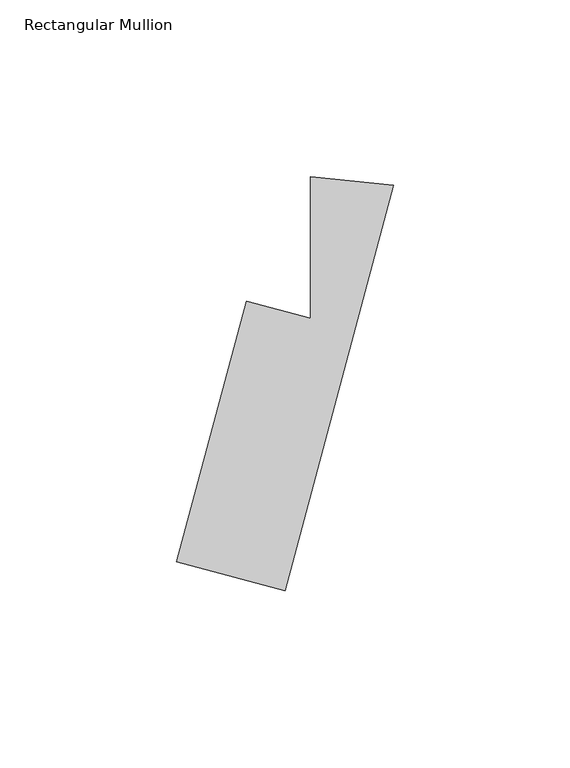
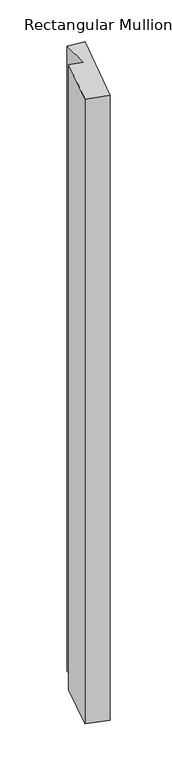
"""IFC4 building model written with IfcOpenShell, lengths in millimetres: member geometry, Rectangular Mullion."""

import ifcopenshell
import ifcopenshell.guid

model = None  # the IFC model being written
_history = None  # IfcOwnerHistory: only IFC2X3 demands one
_inside = {}  # id of a spatial element -> (the spatial element, [elements in it])
_under = {}  # id of a project, library or spatial element -> (it, [spatial elements below it])
_declared = {}  # id of a project -> (the project, [libraries it declares])
_typed = {}  # id of a type object -> (the type object, [elements of that type])
_made_of = {}  # id of a material, layer set ... -> (it, [elements and type objects made of it])


def new_model(schema):
    """Start an empty IFC model of exactly this schema.

    Asked for "IFC4X3", IfcOpenShell would pick the latest addendum, in which some entities
    have other attributes; the version numbers below select the first issue.
    IFC2X3 requires an IfcOwnerHistory on every rooted entity: one is made here for all.
    """
    global model, _history
    if schema == "IFC4X3":
        model = ifcopenshell.file(schema_version=(4, 3, 0, 0))
    else:
        model = ifcopenshell.file(schema=schema)
    _inside.clear()
    _under.clear()
    _declared.clear()
    _typed.clear()
    _made_of.clear()
    _history = None
    if model.schema == "IFC2X3":
        org = make("IfcOrganization", Name="unknown")
        user = make(
            "IfcPersonAndOrganization",
            ThePerson=make("IfcPerson", FamilyName="unknown"),
            TheOrganization=org,
        )
        app = make(
            "IfcApplication",
            ApplicationDeveloper=org,
            Version="unknown",
            ApplicationFullName="unknown",
            ApplicationIdentifier="unknown",
        )
        _history = make(
            "IfcOwnerHistory",
            OwningUser=user,
            OwningApplication=app,
            ChangeAction="ADDED",
            CreationDate=0,
        )
    return model


def make(cls, **values):
    """One entity of the class cls with the attributes given. An attribute that is None is left unset."""
    return model.create_entity(
        cls, **{name: value for name, value in values.items() if value is not None}
    )


def rooted(cls, **values):
    """An entity with a GlobalId (a new one), such as an element, a storey or a relation."""
    return make(cls, GlobalId=ifcopenshell.guid.new(), OwnerHistory=_history, **values)


def si_unit(unit_type, name, prefix=None):
    """IfcSIUnit, for example si_unit("LENGTHUNIT", "METRE", prefix="MILLI")."""
    return make("IfcSIUnit", UnitType=unit_type, Prefix=prefix, Name=name)


def assignment(units):
    """IfcUnitAssignment: the units of a project."""
    return None if units is None else make("IfcUnitAssignment", Units=units)


def point(xyz):
    """IfcCartesianPoint."""
    return None if xyz is None else make("IfcCartesianPoint", Coordinates=xyz)


def direction(xyz):
    """IfcDirection."""
    return None if xyz is None else make("IfcDirection", DirectionRatios=xyz)


def frame(location, z_axis=None, x_axis=None):
    """IfcAxis2Placement3D, a coordinate frame: its origin and axes. An axis left out is left unset."""
    return make(
        "IfcAxis2Placement3D",
        Location=point(location),
        Axis=direction(z_axis),
        RefDirection=direction(x_axis),
    )


def origin():
    """The frame at (0, 0, 0) with its axes left unset."""
    return frame((0.0, 0.0, 0.0))


def place(relative_to, where):
    """IfcLocalPlacement: puts the frame where relative to a parent placement (None: the world)."""
    return make(
        "IfcLocalPlacement", PlacementRelTo=relative_to, RelativePlacement=where
    )


def context(
    kind, dimensions, precision=None, world=None, true_north=None, identifier=None
):
    """IfcGeometricRepresentationContext, for example the 3D "Model" context."""
    return make(
        "IfcGeometricRepresentationContext",
        ContextIdentifier=identifier,
        ContextType=kind,
        CoordinateSpaceDimension=dimensions,
        Precision=precision,
        WorldCoordinateSystem=world,
        TrueNorth=true_north,
    )


def project(units=None, contexts=None):
    """IfcProject with its units and contexts."""
    return rooted(
        "IfcProject",
        Name="project",
        RepresentationContexts=contexts,
        UnitsInContext=assignment(units),
    )


def spatial(cls, under=None, at=None, **own):
    """A site, building, storey or space (cls), placed at a placement, below another one or the project."""
    s = rooted(cls, ObjectPlacement=at, **own)
    if under is not None:
        _under.setdefault(under.id(), (under, []))[1].append(s)
    return s


def polyline(points):
    """IfcPolyline through the points."""
    return make("IfcPolyline", Points=[point(p) for p in points])


def outline(outer, holes=None, kind="AREA"):
    """IfcArbitraryClosedProfileDef: a profile drawn as a closed curve; with holes, ...WithVoids."""
    if holes is None:
        return make("IfcArbitraryClosedProfileDef", ProfileType=kind, OuterCurve=outer)
    return make(
        "IfcArbitraryProfileDefWithVoids",
        ProfileType=kind,
        OuterCurve=outer,
        InnerCurves=holes,
    )


def extrude(swept, where, along, depth):
    """IfcExtrudedAreaSolid: the profile swept, set in the frame where, extruded along a direction by depth."""
    return make(
        "IfcExtrudedAreaSolid",
        SweptArea=swept,
        Position=where,
        ExtrudedDirection=direction(along),
        Depth=depth,
    )


def shape(context_of_items, identifier, shape_type, items):
    """IfcShapeRepresentation: the items that make up one representation, for example the "Body"."""
    return make(
        "IfcShapeRepresentation",
        ContextOfItems=context_of_items,
        RepresentationIdentifier=identifier,
        RepresentationType=shape_type,
        Items=items,
    )


def source(mapping_origin, context_of_items, identifier, shape_type, items):
    """IfcRepresentationMap: a shape defined once, which mapped items show again and again."""
    return make(
        "IfcRepresentationMap",
        MappingOrigin=mapping_origin,
        MappedRepresentation=shape(context_of_items, identifier, shape_type, items),
    )


def transform(
    local_origin,
    x_axis=None,
    y_axis=None,
    z_axis=None,
    scale=None,
    scale2=None,
    scale3=None,
    uniform=True,
):
    """IfcCartesianTransformationOperator3D, or its non-uniform kind. x_axis, y_axis, z_axis: its Axis1, 2, 3."""
    if uniform:
        return make(
            "IfcCartesianTransformationOperator3D",
            Axis1=direction(x_axis),
            Axis2=direction(y_axis),
            LocalOrigin=point(local_origin),
            Scale=scale,
            Axis3=direction(z_axis),
        )
    return make(
        "IfcCartesianTransformationOperator3DnonUniform",
        Axis1=direction(x_axis),
        Axis2=direction(y_axis),
        LocalOrigin=point(local_origin),
        Scale=scale,
        Axis3=direction(z_axis),
        Scale2=scale2,
        Scale3=scale3,
    )


def mapped(mapping_source, mapping_target):
    """IfcMappedItem: shows the shape of a source again, moved by a transform."""
    return make(
        "IfcMappedItem", MappingSource=mapping_source, MappingTarget=mapping_target
    )


def made_of(thing, what):
    """Note that an element or type object is made of a material, layer set ...; save() writes the relation."""
    if what is not None:
        _made_of.setdefault(what.id(), (what, []))[1].append(thing)
    return thing


def element(
    cls,
    number,
    at=None,
    inside=None,
    cuts=None,
    type_object=None,
    material=None,
    context=None,
    identifier="Body",
    shape_type=None,
    held_by="IfcProductDefinitionShape",
    body=None,
    shapes=None,
    **own,
):
    """One element of the class cls, such as IfcWall. Its Tag is "e" and its number.

    at: its placement. inside: the storey or other place that contains it. cuts: it is an
    opening in that element (IfcRelVoidsElement). A single representation is given by context,
    identifier, shape_type and body (its items); several are given by shapes. held_by: the class
    of the entity that holds the representations. save() writes the other relations.
    """
    e = rooted(cls, Tag="e%d" % number, ObjectPlacement=at, **own)
    if body is not None:
        shapes = [shape(context, identifier, shape_type, body)]
    if shapes is not None:
        e.Representation = make(held_by, Representations=shapes)
    if inside is not None:
        _inside.setdefault(inside.id(), (inside, []))[1].append(e)
    if cuts is not None:
        rooted(
            "IfcRelVoidsElement", RelatingBuildingElement=cuts, RelatedOpeningElement=e
        )
    if type_object is not None:
        _typed.setdefault(type_object.id(), (type_object, []))[1].append(e)
    return made_of(e, material)


def aggregate(whole, parts):
    """IfcRelAggregates: a whole, such as a stair, and the parts it consists of."""
    return rooted("IfcRelAggregates", RelatingObject=whole, RelatedObjects=parts)


def save(model, path):
    """Write the relations noted so far, then the file.

    IfcRelAggregates (storeys below a building ...), IfcRelContainedInSpatialStructure (elements
    in a storey), IfcRelDefinesByType, IfcRelAssociatesMaterial and IfcRelDeclares: one each for
    every whole, place, type object, material and project.
    """
    for whole, parts in _under.values():
        aggregate(whole, parts)
    for where, things in _inside.values():
        rooted(
            "IfcRelContainedInSpatialStructure",
            RelatedElements=things,
            RelatingStructure=where,
        )
    for kind, things in _typed.values():
        rooted("IfcRelDefinesByType", RelatedObjects=things, RelatingType=kind)
    for what, things in _made_of.values():
        rooted("IfcRelAssociatesMaterial", RelatedObjects=things, RelatingMaterial=what)
    for by, libraries in _declared.values():
        rooted("IfcRelDeclares", RelatingContext=by, RelatedDefinitions=libraries)
    model.write(path)


def rectangular_mullion_c752a148(model_context):
    return source(origin(), model_context, "Body", "SweptSolid", [
        extrude(outline(polyline([(-42.2911206, -35.1581469), (-24.1479641, -40.019591), (-24.1479641, 0.0535706), (-0.6307704, -2.354067), (-31.3707563, -117.0772565), (-62.0393723, -108.8596257), (-42.2911206, -35.1581469)])), frame((0.0, 0.0, -936.5), z_axis=(0.0, 0.0, 1.0), x_axis=(1.0, 0.0, 0.0)), (0.0, 0.0, 1.0), 936.5),
    ])


if __name__ == "__main__":
    model = new_model("IFC4")
    model_context = context("Model", 3, world=origin())
    ifc_project = project(units=[si_unit("LENGTHUNIT", "METRE", prefix="MILLI")], contexts=[model_context])
    site = spatial("IfcSite", under=ifc_project)
    building = spatial("IfcBuilding", under=site)
    placement = place(None, origin())
    rectangular_mullion_shape = rectangular_mullion_c752a148(model_context)
    element("IfcMember", 1, ObjectType="Rectangular Mullion", at=placement, inside=building, context=model_context, shape_type="MappedRepresentation", body=[
        mapped(rectangular_mullion_shape, transform((0.0, 0.0, 0.0), x_axis=(1.0, 0.0, 0.0), y_axis=(0.0, 1.0, 0.0), z_axis=(0.0, 0.0, 1.0))),
    ])
    save(model, "model.ifc")
